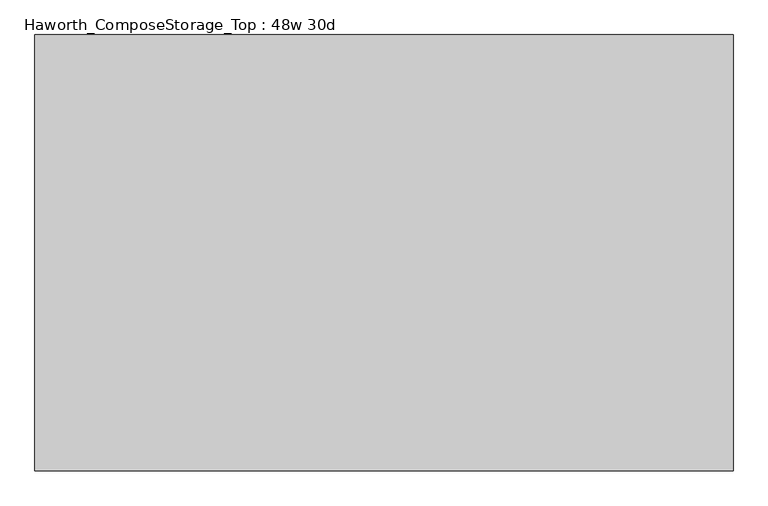
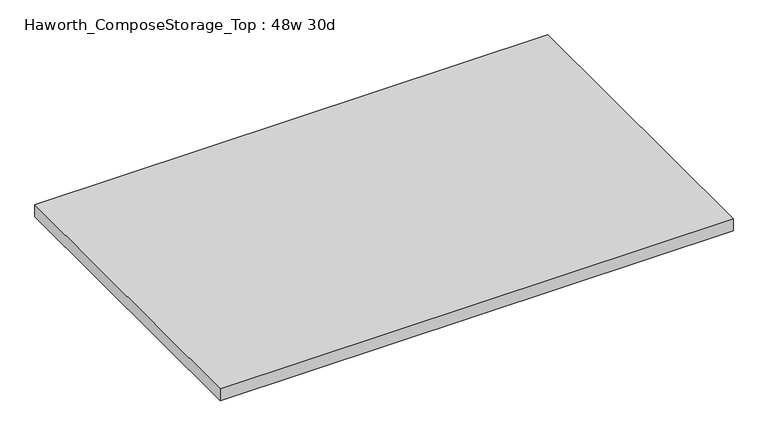
"""IFC4 building model written with IfcOpenShell, lengths in millimetres: furniture geometry, Haworth_ComposeStorage_Top : 48w 30d."""

import ifcopenshell
import ifcopenshell.guid

model = None  # the IFC model being written
_history = None  # IfcOwnerHistory: only IFC2X3 demands one
_inside = {}  # id of a spatial element -> (the spatial element, [elements in it])
_under = {}  # id of a project, library or spatial element -> (it, [spatial elements below it])
_declared = {}  # id of a project -> (the project, [libraries it declares])
_typed = {}  # id of a type object -> (the type object, [elements of that type])
_made_of = {}  # id of a material, layer set ... -> (it, [elements and type objects made of it])


def new_model(schema):
    """Start an empty IFC model of exactly this schema.

    Asked for "IFC4X3", IfcOpenShell would pick the latest addendum, in which some entities
    have other attributes; the version numbers below select the first issue.
    IFC2X3 requires an IfcOwnerHistory on every rooted entity: one is made here for all.
    """
    global model, _history
    if schema == "IFC4X3":
        model = ifcopenshell.file(schema_version=(4, 3, 0, 0))
    else:
        model = ifcopenshell.file(schema=schema)
    _inside.clear()
    _under.clear()
    _declared.clear()
    _typed.clear()
    _made_of.clear()
    _history = None
    if model.schema == "IFC2X3":
        org = make("IfcOrganization", Name="unknown")
        user = make(
            "IfcPersonAndOrganization",
            ThePerson=make("IfcPerson", FamilyName="unknown"),
            TheOrganization=org,
        )
        app = make(
            "IfcApplication",
            ApplicationDeveloper=org,
            Version="unknown",
            ApplicationFullName="unknown",
            ApplicationIdentifier="unknown",
        )
        _history = make(
            "IfcOwnerHistory",
            OwningUser=user,
            OwningApplication=app,
            ChangeAction="ADDED",
            CreationDate=0,
        )
    return model


def make(cls, **values):
    """One entity of the class cls with the attributes given. An attribute that is None is left unset."""
    return model.create_entity(
        cls, **{name: value for name, value in values.items() if value is not None}
    )


def rooted(cls, **values):
    """An entity with a GlobalId (a new one), such as an element, a storey or a relation."""
    return make(cls, GlobalId=ifcopenshell.guid.new(), OwnerHistory=_history, **values)


def si_unit(unit_type, name, prefix=None):
    """IfcSIUnit, for example si_unit("LENGTHUNIT", "METRE", prefix="MILLI")."""
    return make("IfcSIUnit", UnitType=unit_type, Prefix=prefix, Name=name)


def assignment(units):
    """IfcUnitAssignment: the units of a project."""
    return None if units is None else make("IfcUnitAssignment", Units=units)


def point(xyz):
    """IfcCartesianPoint."""
    return None if xyz is None else make("IfcCartesianPoint", Coordinates=xyz)


def direction(xyz):
    """IfcDirection."""
    return None if xyz is None else make("IfcDirection", DirectionRatios=xyz)


def frame(location, z_axis=None, x_axis=None):
    """IfcAxis2Placement3D, a coordinate frame: its origin and axes. An axis left out is left unset."""
    return make(
        "IfcAxis2Placement3D",
        Location=point(location),
        Axis=direction(z_axis),
        RefDirection=direction(x_axis),
    )


def origin():
    """The frame at (0, 0, 0) with its axes left unset."""
    return frame((0.0, 0.0, 0.0))


def place(relative_to, where):
    """IfcLocalPlacement: puts the frame where relative to a parent placement (None: the world)."""
    return make(
        "IfcLocalPlacement", PlacementRelTo=relative_to, RelativePlacement=where
    )


def context(
    kind, dimensions, precision=None, world=None, true_north=None, identifier=None
):
    """IfcGeometricRepresentationContext, for example the 3D "Model" context."""
    return make(
        "IfcGeometricRepresentationContext",
        ContextIdentifier=identifier,
        ContextType=kind,
        CoordinateSpaceDimension=dimensions,
        Precision=precision,
        WorldCoordinateSystem=world,
        TrueNorth=true_north,
    )


def project(units=None, contexts=None):
    """IfcProject with its units and contexts."""
    return rooted(
        "IfcProject",
        Name="project",
        RepresentationContexts=contexts,
        UnitsInContext=assignment(units),
    )


def spatial(cls, under=None, at=None, **own):
    """A site, building, storey or space (cls), placed at a placement, below another one or the project."""
    s = rooted(cls, ObjectPlacement=at, **own)
    if under is not None:
        _under.setdefault(under.id(), (under, []))[1].append(s)
    return s


def polyline(points):
    """IfcPolyline through the points."""
    return make("IfcPolyline", Points=[point(p) for p in points])


def outline(outer, holes=None, kind="AREA"):
    """IfcArbitraryClosedProfileDef: a profile drawn as a closed curve; with holes, ...WithVoids."""
    if holes is None:
        return make("IfcArbitraryClosedProfileDef", ProfileType=kind, OuterCurve=outer)
    return make(
        "IfcArbitraryProfileDefWithVoids",
        ProfileType=kind,
        OuterCurve=outer,
        InnerCurves=holes,
    )


def extrude(swept, where, along, depth):
    """IfcExtrudedAreaSolid: the profile swept, set in the frame where, extruded along a direction by depth."""
    return make(
        "IfcExtrudedAreaSolid",
        SweptArea=swept,
        Position=where,
        ExtrudedDirection=direction(along),
        Depth=depth,
    )


def shape(context_of_items, identifier, shape_type, items):
    """IfcShapeRepresentation: the items that make up one representation, for example the "Body"."""
    return make(
        "IfcShapeRepresentation",
        ContextOfItems=context_of_items,
        RepresentationIdentifier=identifier,
        RepresentationType=shape_type,
        Items=items,
    )


def source(mapping_origin, context_of_items, identifier, shape_type, items):
    """IfcRepresentationMap: a shape defined once, which mapped items show again and again."""
    return make(
        "IfcRepresentationMap",
        MappingOrigin=mapping_origin,
        MappedRepresentation=shape(context_of_items, identifier, shape_type, items),
    )


def transform(
    local_origin,
    x_axis=None,
    y_axis=None,
    z_axis=None,
    scale=None,
    scale2=None,
    scale3=None,
    uniform=True,
):
    """IfcCartesianTransformationOperator3D, or its non-uniform kind. x_axis, y_axis, z_axis: its Axis1, 2, 3."""
    if uniform:
        return make(
            "IfcCartesianTransformationOperator3D",
            Axis1=direction(x_axis),
            Axis2=direction(y_axis),
            LocalOrigin=point(local_origin),
            Scale=scale,
            Axis3=direction(z_axis),
        )
    return make(
        "IfcCartesianTransformationOperator3DnonUniform",
        Axis1=direction(x_axis),
        Axis2=direction(y_axis),
        LocalOrigin=point(local_origin),
        Scale=scale,
        Axis3=direction(z_axis),
        Scale2=scale2,
        Scale3=scale3,
    )


def mapped(mapping_source, mapping_target):
    """IfcMappedItem: shows the shape of a source again, moved by a transform."""
    return make(
        "IfcMappedItem", MappingSource=mapping_source, MappingTarget=mapping_target
    )


def made_of(thing, what):
    """Note that an element or type object is made of a material, layer set ...; save() writes the relation."""
    if what is not None:
        _made_of.setdefault(what.id(), (what, []))[1].append(thing)
    return thing


def element(
    cls,
    number,
    at=None,
    inside=None,
    cuts=None,
    type_object=None,
    material=None,
    context=None,
    identifier="Body",
    shape_type=None,
    held_by="IfcProductDefinitionShape",
    body=None,
    shapes=None,
    **own,
):
    """One element of the class cls, such as IfcWall. Its Tag is "e" and its number.

    at: its placement. inside: the storey or other place that contains it. cuts: it is an
    opening in that element (IfcRelVoidsElement). A single representation is given by context,
    identifier, shape_type and body (its items); several are given by shapes. held_by: the class
    of the entity that holds the representations. save() writes the other relations.
    """
    e = rooted(cls, Tag="e%d" % number, ObjectPlacement=at, **own)
    if body is not None:
        shapes = [shape(context, identifier, shape_type, body)]
    if shapes is not None:
        e.Representation = make(held_by, Representations=shapes)
    if inside is not None:
        _inside.setdefault(inside.id(), (inside, []))[1].append(e)
    if cuts is not None:
        rooted(
            "IfcRelVoidsElement", RelatingBuildingElement=cuts, RelatedOpeningElement=e
        )
    if type_object is not None:
        _typed.setdefault(type_object.id(), (type_object, []))[1].append(e)
    return made_of(e, material)


def aggregate(whole, parts):
    """IfcRelAggregates: a whole, such as a stair, and the parts it consists of."""
    return rooted("IfcRelAggregates", RelatingObject=whole, RelatedObjects=parts)


def save(model, path):
    """Write the relations noted so far, then the file.

    IfcRelAggregates (storeys below a building ...), IfcRelContainedInSpatialStructure (elements
    in a storey), IfcRelDefinesByType, IfcRelAssociatesMaterial and IfcRelDeclares: one each for
    every whole, place, type object, material and project.
    """
    for whole, parts in _under.values():
        aggregate(whole, parts)
    for where, things in _inside.values():
        rooted(
            "IfcRelContainedInSpatialStructure",
            RelatedElements=things,
            RelatingStructure=where,
        )
    for kind, things in _typed.values():
        rooted("IfcRelDefinesByType", RelatedObjects=things, RelatingType=kind)
    for what, things in _made_of.values():
        rooted("IfcRelAssociatesMaterial", RelatedObjects=things, RelatingMaterial=what)
    for by, libraries in _declared.values():
        rooted("IfcRelDeclares", RelatingContext=by, RelatedDefinitions=libraries)
    model.write(path)


def haworth_composestorage_top_48w_30d_dcb35297(model_context):
    return source(origin(), model_context, "Body", "SweptSolid", [
        extrude(outline(polyline([(609.6, 381.0), (609.6, -381.0), (-609.6, -381.0), (-609.6, 381.0), (609.6, 381.0)])), frame((0.0, 0.0, 706.4375), z_axis=(0.0, 0.0, 1.0), x_axis=(1.0, 0.0, 0.0)), (0.0, 0.0, 1.0), 30.1625),
    ])


if __name__ == "__main__":
    model = new_model("IFC4")
    model_context = context("Model", 3, world=origin())
    ifc_project = project(units=[si_unit("LENGTHUNIT", "METRE", prefix="MILLI")], contexts=[model_context])
    site = spatial("IfcSite", under=ifc_project)
    building = spatial("IfcBuilding", under=site)
    placement = place(None, origin())
    haworth_composestorage_top_48w_30d_shape = haworth_composestorage_top_48w_30d_dcb35297(model_context)
    element("IfcFurniture", 1, ObjectType="Haworth_ComposeStorage_Top : 48w 30d", at=placement, inside=building, context=model_context, shape_type="MappedRepresentation", body=[
        mapped(haworth_composestorage_top_48w_30d_shape, transform((0.0, 0.0, 0.0), x_axis=(1.0, 0.0, 0.0), y_axis=(0.0, 1.0, 0.0), z_axis=(0.0, 0.0, 1.0))),
    ])
    save(model, "model.ifc")
